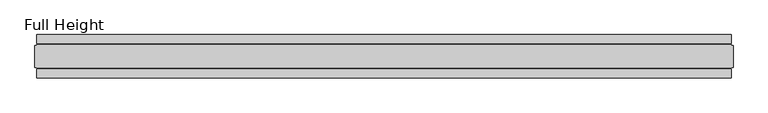
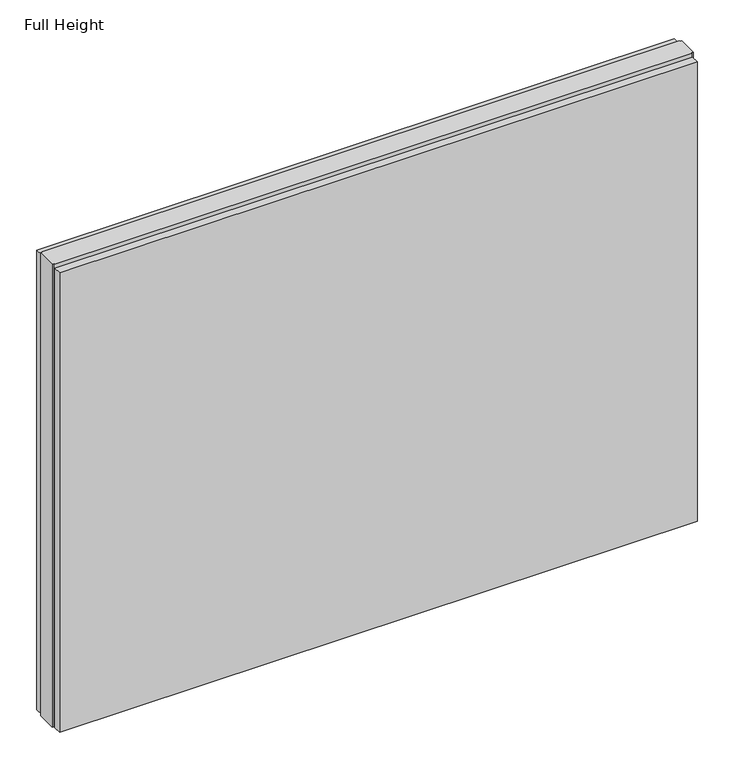
"""IFC4 building model written with IfcOpenShell, lengths in millimetres: plate geometry, Full Height."""

import ifcopenshell
import ifcopenshell.guid

model = None  # the IFC model being written
_history = None  # IfcOwnerHistory: only IFC2X3 demands one
_inside = {}  # id of a spatial element -> (the spatial element, [elements in it])
_under = {}  # id of a project, library or spatial element -> (it, [spatial elements below it])
_declared = {}  # id of a project -> (the project, [libraries it declares])
_typed = {}  # id of a type object -> (the type object, [elements of that type])
_made_of = {}  # id of a material, layer set ... -> (it, [elements and type objects made of it])


def new_model(schema):
    """Start an empty IFC model of exactly this schema.

    Asked for "IFC4X3", IfcOpenShell would pick the latest addendum, in which some entities
    have other attributes; the version numbers below select the first issue.
    IFC2X3 requires an IfcOwnerHistory on every rooted entity: one is made here for all.
    """
    global model, _history
    if schema == "IFC4X3":
        model = ifcopenshell.file(schema_version=(4, 3, 0, 0))
    else:
        model = ifcopenshell.file(schema=schema)
    _inside.clear()
    _under.clear()
    _declared.clear()
    _typed.clear()
    _made_of.clear()
    _history = None
    if model.schema == "IFC2X3":
        org = make("IfcOrganization", Name="unknown")
        user = make(
            "IfcPersonAndOrganization",
            ThePerson=make("IfcPerson", FamilyName="unknown"),
            TheOrganization=org,
        )
        app = make(
            "IfcApplication",
            ApplicationDeveloper=org,
            Version="unknown",
            ApplicationFullName="unknown",
            ApplicationIdentifier="unknown",
        )
        _history = make(
            "IfcOwnerHistory",
            OwningUser=user,
            OwningApplication=app,
            ChangeAction="ADDED",
            CreationDate=0,
        )
    return model


def make(cls, **values):
    """One entity of the class cls with the attributes given. An attribute that is None is left unset."""
    return model.create_entity(
        cls, **{name: value for name, value in values.items() if value is not None}
    )


def rooted(cls, **values):
    """An entity with a GlobalId (a new one), such as an element, a storey or a relation."""
    return make(cls, GlobalId=ifcopenshell.guid.new(), OwnerHistory=_history, **values)


def si_unit(unit_type, name, prefix=None):
    """IfcSIUnit, for example si_unit("LENGTHUNIT", "METRE", prefix="MILLI")."""
    return make("IfcSIUnit", UnitType=unit_type, Prefix=prefix, Name=name)


def assignment(units):
    """IfcUnitAssignment: the units of a project."""
    return None if units is None else make("IfcUnitAssignment", Units=units)


def point(xyz):
    """IfcCartesianPoint."""
    return None if xyz is None else make("IfcCartesianPoint", Coordinates=xyz)


def direction(xyz):
    """IfcDirection."""
    return None if xyz is None else make("IfcDirection", DirectionRatios=xyz)


def frame(location, z_axis=None, x_axis=None):
    """IfcAxis2Placement3D, a coordinate frame: its origin and axes. An axis left out is left unset."""
    return make(
        "IfcAxis2Placement3D",
        Location=point(location),
        Axis=direction(z_axis),
        RefDirection=direction(x_axis),
    )


def origin():
    """The frame at (0, 0, 0) with its axes left unset."""
    return frame((0.0, 0.0, 0.0))


def origin_with_axes():
    """The frame at (0, 0, 0) with the z axis (0, 0, 1) and the x axis (1, 0, 0) written out."""
    return frame((0.0, 0.0, 0.0), z_axis=(0.0, 0.0, 1.0), x_axis=(1.0, 0.0, 0.0))


def place(relative_to, where):
    """IfcLocalPlacement: puts the frame where relative to a parent placement (None: the world)."""
    return make(
        "IfcLocalPlacement", PlacementRelTo=relative_to, RelativePlacement=where
    )


def context(
    kind, dimensions, precision=None, world=None, true_north=None, identifier=None
):
    """IfcGeometricRepresentationContext, for example the 3D "Model" context."""
    return make(
        "IfcGeometricRepresentationContext",
        ContextIdentifier=identifier,
        ContextType=kind,
        CoordinateSpaceDimension=dimensions,
        Precision=precision,
        WorldCoordinateSystem=world,
        TrueNorth=true_north,
    )


def project(units=None, contexts=None):
    """IfcProject with its units and contexts."""
    return rooted(
        "IfcProject",
        Name="project",
        RepresentationContexts=contexts,
        UnitsInContext=assignment(units),
    )


def spatial(cls, under=None, at=None, **own):
    """A site, building, storey or space (cls), placed at a placement, below another one or the project."""
    s = rooted(cls, ObjectPlacement=at, **own)
    if under is not None:
        _under.setdefault(under.id(), (under, []))[1].append(s)
    return s


def polyline(points):
    """IfcPolyline through the points."""
    return make("IfcPolyline", Points=[point(p) for p in points])


def outline(outer, holes=None, kind="AREA"):
    """IfcArbitraryClosedProfileDef: a profile drawn as a closed curve; with holes, ...WithVoids."""
    if holes is None:
        return make("IfcArbitraryClosedProfileDef", ProfileType=kind, OuterCurve=outer)
    return make(
        "IfcArbitraryProfileDefWithVoids",
        ProfileType=kind,
        OuterCurve=outer,
        InnerCurves=holes,
    )


def extrude(swept, where, along, depth):
    """IfcExtrudedAreaSolid: the profile swept, set in the frame where, extruded along a direction by depth."""
    return make(
        "IfcExtrudedAreaSolid",
        SweptArea=swept,
        Position=where,
        ExtrudedDirection=direction(along),
        Depth=depth,
    )


def shape(context_of_items, identifier, shape_type, items):
    """IfcShapeRepresentation: the items that make up one representation, for example the "Body"."""
    return make(
        "IfcShapeRepresentation",
        ContextOfItems=context_of_items,
        RepresentationIdentifier=identifier,
        RepresentationType=shape_type,
        Items=items,
    )


def source(mapping_origin, context_of_items, identifier, shape_type, items):
    """IfcRepresentationMap: a shape defined once, which mapped items show again and again."""
    return make(
        "IfcRepresentationMap",
        MappingOrigin=mapping_origin,
        MappedRepresentation=shape(context_of_items, identifier, shape_type, items),
    )


def transform(
    local_origin,
    x_axis=None,
    y_axis=None,
    z_axis=None,
    scale=None,
    scale2=None,
    scale3=None,
    uniform=True,
):
    """IfcCartesianTransformationOperator3D, or its non-uniform kind. x_axis, y_axis, z_axis: its Axis1, 2, 3."""
    if uniform:
        return make(
            "IfcCartesianTransformationOperator3D",
            Axis1=direction(x_axis),
            Axis2=direction(y_axis),
            LocalOrigin=point(local_origin),
            Scale=scale,
            Axis3=direction(z_axis),
        )
    return make(
        "IfcCartesianTransformationOperator3DnonUniform",
        Axis1=direction(x_axis),
        Axis2=direction(y_axis),
        LocalOrigin=point(local_origin),
        Scale=scale,
        Axis3=direction(z_axis),
        Scale2=scale2,
        Scale3=scale3,
    )


def mapped(mapping_source, mapping_target):
    """IfcMappedItem: shows the shape of a source again, moved by a transform."""
    return make(
        "IfcMappedItem", MappingSource=mapping_source, MappingTarget=mapping_target
    )


def made_of(thing, what):
    """Note that an element or type object is made of a material, layer set ...; save() writes the relation."""
    if what is not None:
        _made_of.setdefault(what.id(), (what, []))[1].append(thing)
    return thing


def element(
    cls,
    number,
    at=None,
    inside=None,
    cuts=None,
    type_object=None,
    material=None,
    context=None,
    identifier="Body",
    shape_type=None,
    held_by="IfcProductDefinitionShape",
    body=None,
    shapes=None,
    **own,
):
    """One element of the class cls, such as IfcWall. Its Tag is "e" and its number.

    at: its placement. inside: the storey or other place that contains it. cuts: it is an
    opening in that element (IfcRelVoidsElement). A single representation is given by context,
    identifier, shape_type and body (its items); several are given by shapes. held_by: the class
    of the entity that holds the representations. save() writes the other relations.
    """
    e = rooted(cls, Tag="e%d" % number, ObjectPlacement=at, **own)
    if body is not None:
        shapes = [shape(context, identifier, shape_type, body)]
    if shapes is not None:
        e.Representation = make(held_by, Representations=shapes)
    if inside is not None:
        _inside.setdefault(inside.id(), (inside, []))[1].append(e)
    if cuts is not None:
        rooted(
            "IfcRelVoidsElement", RelatingBuildingElement=cuts, RelatedOpeningElement=e
        )
    if type_object is not None:
        _typed.setdefault(type_object.id(), (type_object, []))[1].append(e)
    return made_of(e, material)


def aggregate(whole, parts):
    """IfcRelAggregates: a whole, such as a stair, and the parts it consists of."""
    return rooted("IfcRelAggregates", RelatingObject=whole, RelatedObjects=parts)


def save(model, path):
    """Write the relations noted so far, then the file.

    IfcRelAggregates (storeys below a building ...), IfcRelContainedInSpatialStructure (elements
    in a storey), IfcRelDefinesByType, IfcRelAssociatesMaterial and IfcRelDeclares: one each for
    every whole, place, type object, material and project.
    """
    for whole, parts in _under.values():
        aggregate(whole, parts)
    for where, things in _inside.values():
        rooted(
            "IfcRelContainedInSpatialStructure",
            RelatedElements=things,
            RelatingStructure=where,
        )
    for kind, things in _typed.values():
        rooted("IfcRelDefinesByType", RelatedObjects=things, RelatingType=kind)
    for what, things in _made_of.values():
        rooted("IfcRelAssociatesMaterial", RelatedObjects=things, RelatingMaterial=what)
    for by, libraries in _declared.values():
        rooted("IfcRelDeclares", RelatingContext=by, RelatedDefinitions=libraries)
    model.write(path)


def full_height_d25579af(model_context):
    return source(origin(), model_context, "Body", "SweptSolid", [
        extrude(outline(polyline([(793.4910074, 28.956), (-793.4910074, 28.956), (-793.4910074, 49.53), (793.4910074, 49.53), (793.4910074, 28.956)])), origin_with_axes(), (0.0, 0.0, 1.0), 1210.056),
        extrude(outline(polyline([(793.4910074, -28.956), (793.4910074, -49.53), (-793.4910074, -49.53), (-793.4910074, -28.956), (793.4910074, -28.956)])), origin_with_axes(), (0.0, 0.0, 1.0), 1210.056),
        extrude(outline(polyline([(793.4910074, -25.146), (793.4910074, -26.67), (-793.4910074, -26.67), (-793.4910074, -25.146), (-798.0630074, -25.146), (-798.0630074, 25.146), (-793.4910074, 25.146), (-793.4910074, 26.67), (793.4910074, 26.67), (793.4910074, 25.146), (798.0630074, 25.146), (798.0630074, -25.146), (793.4910074, -25.146)])), origin_with_axes(), (0.0, 0.0, 1.0), 1219.2),
    ])


if __name__ == "__main__":
    model = new_model("IFC4")
    model_context = context("Model", 3, world=origin())
    ifc_project = project(units=[si_unit("LENGTHUNIT", "METRE", prefix="MILLI")], contexts=[model_context])
    site = spatial("IfcSite", under=ifc_project)
    building = spatial("IfcBuilding", under=site)
    placement = place(None, origin())
    full_height_shape = full_height_d25579af(model_context)
    element("IfcPlate", 1, ObjectType="Full Height", at=placement, inside=building, context=model_context, shape_type="MappedRepresentation", body=[
        mapped(full_height_shape, transform((0.0, 0.0, 0.0), x_axis=(1.0, 0.0, 0.0), y_axis=(0.0, 1.0, 0.0), z_axis=(0.0, 0.0, 1.0))),
    ])
    save(model, "model.ifc")
